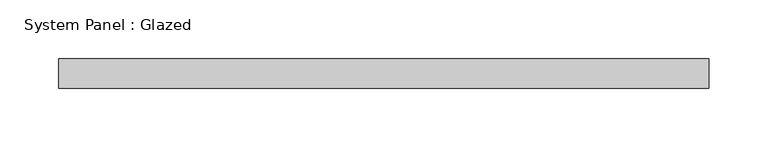
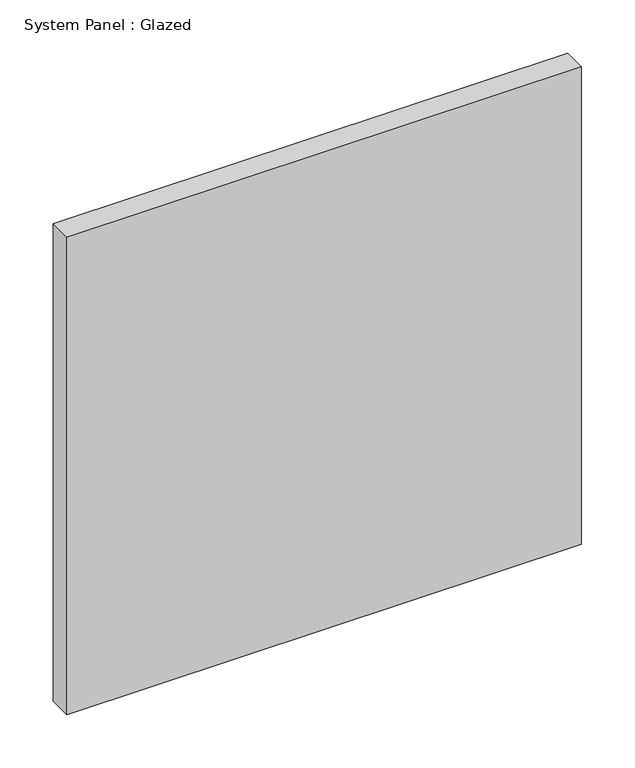
"""IFC4 building model written with IfcOpenShell, lengths in millimetres: plate geometry, System Panel : Glazed."""

from ifc_helpers import new_model, si_unit, origin, origin_with_axes, place, context, project, spatial, polyline, outline, extrude, source, transform, mapped, element, save


def system_panel_glazed_7f2117ef(model_context):
    return source(origin(), model_context, "Body", "SweptSolid", [
        extrude(outline(polyline([(278.13, 19.05), (-278.13, 19.05), (-278.13, 44.45), (278.13, 44.45), (278.13, 19.05)])), origin_with_axes(), (0.0, 0.0, 1.0), 546.1),
    ])


if __name__ == "__main__":
    model = new_model("IFC4")
    model_context = context("Model", 3, world=origin())
    ifc_project = project(units=[si_unit("LENGTHUNIT", "METRE", prefix="MILLI")], contexts=[model_context])
    site = spatial("IfcSite", under=ifc_project)
    building = spatial("IfcBuilding", under=site)
    placement = place(None, origin())
    system_panel_glazed_shape = system_panel_glazed_7f2117ef(model_context)
    element("IfcPlate", 1, ObjectType="System Panel : Glazed", at=placement, inside=building, context=model_context, shape_type="MappedRepresentation", body=[
        mapped(system_panel_glazed_shape, transform((0.0, 0.0, 0.0), x_axis=(1.0, 0.0, 0.0), y_axis=(0.0, 1.0, 0.0), z_axis=(0.0, 0.0, 1.0))),
    ])
    save(model, "model.ifc")
